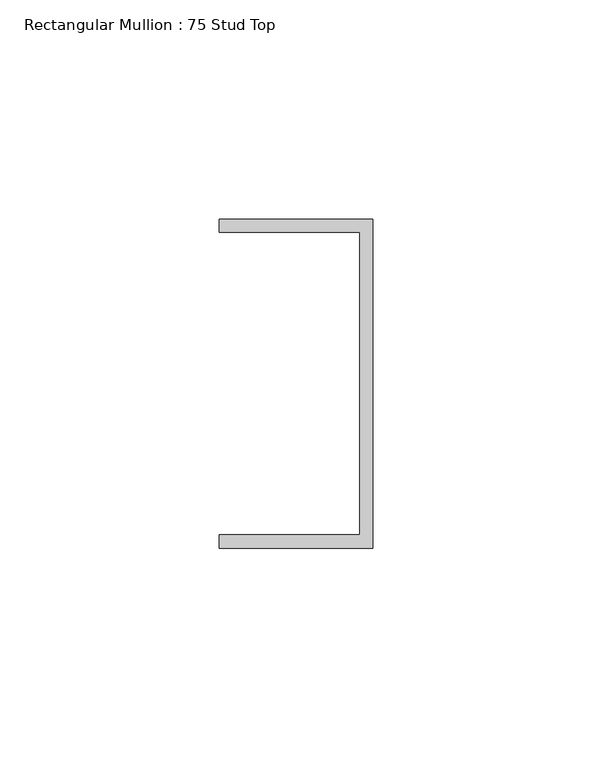
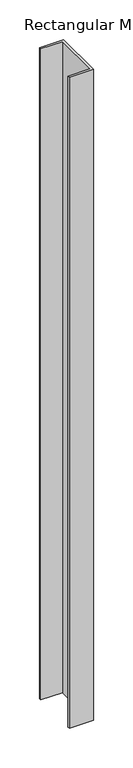
"""IFC4 building model written with IfcOpenShell, lengths in millimetres: member geometry, Rectangular Mullion : 75 Stud Top."""

from ifc_helpers import new_model, si_unit, frame, origin, place, context, project, spatial, polyline, outline, extrude, source, transform, mapped, element, save


def rectangular_mullion_75_stud_top_1ee56cce(model_context):
    return source(origin(), model_context, "Body", "SweptSolid", [
        extrude(outline(polyline([(17.5, 37.5), (17.5, -37.5), (-17.5, -37.5), (-17.5, -34.5), (14.5, -34.5), (14.5, 34.5), (-17.5, 34.5), (-17.5, 37.5), (17.5, 37.5)])), frame((0.0, 0.0, -1000.0), z_axis=(0.0, 0.0, 1.0), x_axis=(1.0, 0.0, 0.0)), (0.0, 0.0, 1.0), 1000.0),
    ])


if __name__ == "__main__":
    model = new_model("IFC4")
    model_context = context("Model", 3, world=origin())
    ifc_project = project(units=[si_unit("LENGTHUNIT", "METRE", prefix="MILLI")], contexts=[model_context])
    site = spatial("IfcSite", under=ifc_project)
    building = spatial("IfcBuilding", under=site)
    placement = place(None, origin())
    rectangular_mullion_75_stud_top_shape = rectangular_mullion_75_stud_top_1ee56cce(model_context)
    element("IfcMember", 1, ObjectType="Rectangular Mullion : 75 Stud Top", at=placement, inside=building, context=model_context, shape_type="MappedRepresentation", body=[
        mapped(rectangular_mullion_75_stud_top_shape, transform((0.0, 0.0, 0.0), x_axis=(1.0, 0.0, 0.0), y_axis=(0.0, 1.0, 0.0), z_axis=(0.0, 0.0, 1.0))),
    ])
    save(model, "model.ifc")
